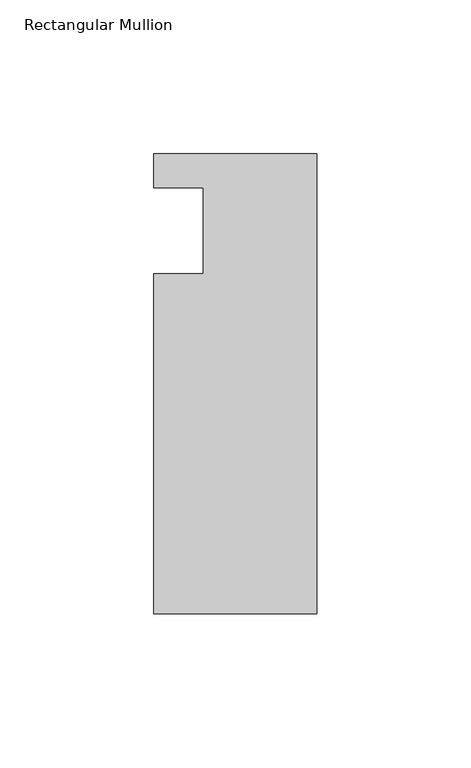
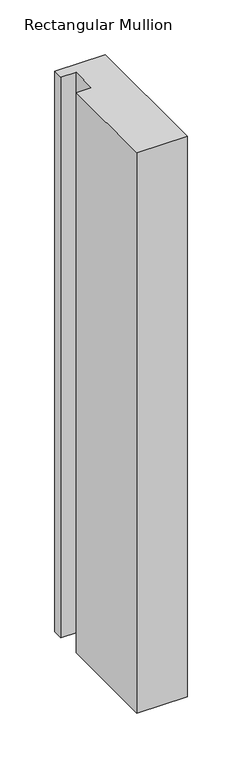
"""IFC4 building model written with IfcOpenShell, lengths in millimetres: member geometry, Rectangular Mullion."""

from ifc_helpers import new_model, si_unit, frame, origin, place, context, project, spatial, polyline, outline, extrude, source, transform, mapped, element, save


def rectangular_mullion_d122fc93(model_context):
    return source(origin(), model_context, "Body", "SweptSolid", [
        extrude(outline(polyline([(0.0, 25.0), (0.0, -124.5), (-53.0, -124.5), (-53.0, -14.0), (-37.0, -14.0), (-37.0, 14.0), (-53.0, 14.0), (-53.0, 25.0), (0.0, 25.0)])), frame((0.0, 0.0, -623.7174835), z_axis=(0.0, 0.0, 1.0), x_axis=(1.0, 0.0, 0.0)), (0.0, 0.0, 1.0), 623.7174835),
    ])


if __name__ == "__main__":
    model = new_model("IFC4")
    model_context = context("Model", 3, world=origin())
    ifc_project = project(units=[si_unit("LENGTHUNIT", "METRE", prefix="MILLI")], contexts=[model_context])
    site = spatial("IfcSite", under=ifc_project)
    building = spatial("IfcBuilding", under=site)
    placement = place(None, origin())
    rectangular_mullion_shape = rectangular_mullion_d122fc93(model_context)
    element("IfcMember", 1, ObjectType="Rectangular Mullion", at=placement, inside=building, context=model_context, shape_type="MappedRepresentation", body=[
        mapped(rectangular_mullion_shape, transform((0.0, 0.0, 0.0), x_axis=(1.0, 0.0, 0.0), y_axis=(0.0, 1.0, 0.0), z_axis=(0.0, 0.0, 1.0))),
    ])
    save(model, "model.ifc")
